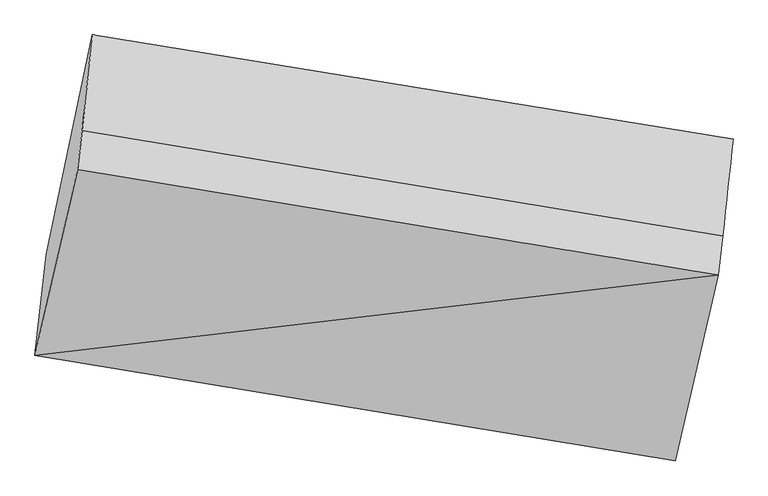
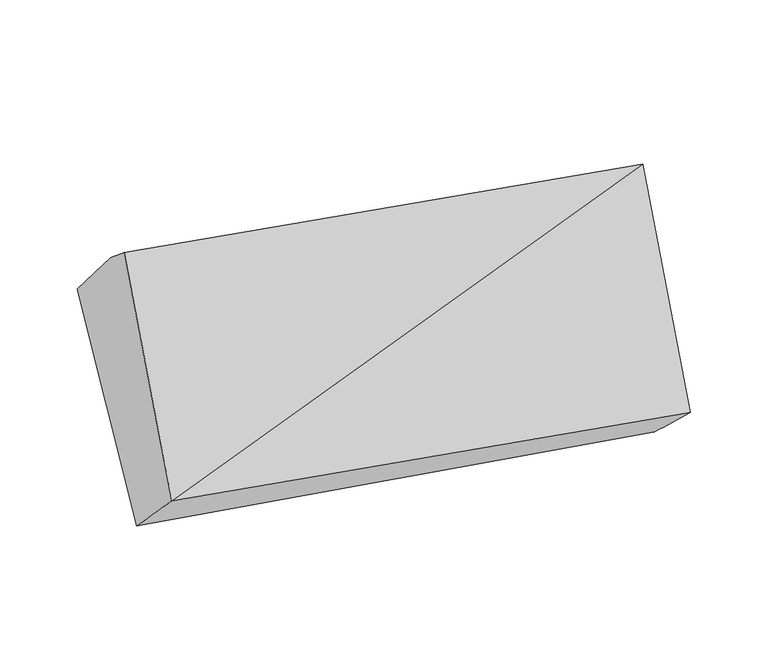
"""IFC4 building model written with IfcOpenShell, lengths in millimetres: proxy geometry."""

from ifc_helpers import new_model, si_unit, frame, origin, place, context, project, spatial, source, transform, mapped, element, save
from ifc_brep_helpers import plane_surface, spline_surface, advanced_brep


def generic_models_7fa6cf6b(model_context):
    return source(origin(), model_context, "Body", "AdvancedBrep", [
        advanced_brep(
        [(-3847.4249786, -1752.7332691, 1780.0290654), (-3815.261506, -1464.1478998, 1491.4213673), (-1990.5225691, -1749.4107299, 1407.304829), (-2025.6517247, -2052.1124925, 1683.6979221), (-3726.1921117, -1223.299823, 2427.3526461), (-1904.4188577, -1522.6790464, 2331.0215027), (-3712.8700897, -1112.1894193, 2333.9826026), (-1891.0968357, -1411.5686427, 2237.6514593), (-3684.059343, -839.6369819, 2031.7969507), (-1861.6564428, -1136.0191437, 1938.0590989)],
        [
            (0, 1),
            (1, 2),
            (2, 3),
            (3, 0),
            (4, 0),
            (0, 5),
            (5, 4),
            (6, 4),
            (5, 7),
            (7, 6),
            (8, 6),
            (7, 9),
            (9, 8),
            (1, 8),
            (9, 2),
            (5, 3),
        ],
        [
            spline_surface(1, 1, [[(-3847.4249786, -1752.7332691, 1780.0290654), (-2025.6517247, -2052.1124925, 1683.6979221)], [(-3815.261506, -1464.1478998, 1491.4213673), (-1990.5225691, -1749.4107299, 1407.304829)]], [2, 2], [2, 2], [0.0, 1.0], [0.0, 1.0]),
            plane_surface(frame((-3786.8085451, -1488.0165461, 2103.6908557), z_axis=(-0.09140775522410366, -0.7623732042026177, 0.6406494515713912), x_axis=(-0.14347084850007388, -0.6265484569332136, -0.7660634090891418))),
            plane_surface(frame((-3719.5311007, -1167.7446212, 2380.6676244), z_axis=(0.1434708485000744, 0.6265484569332208, 0.766063409089136), x_axis=(-0.09140775522410198, -0.7623732042026119, 0.6406494515713983))),
            spline_surface(1, 1, [[(-3684.059343, -839.6369819, 2031.7969507), (-1861.6564428, -1136.0191437, 1938.0590989)], [(-3712.8700897, -1112.1894193, 2333.9826026), (-1891.0968357, -1411.5686427, 2237.6514593)]], [2, 2], [2, 2], [0.0, 1.0], [0.0, 1.0]),
            plane_surface(frame((-3749.6604245, -1151.8924409, 1761.609159), z_axis=(0.06573333532180008, 0.6449825937151661, -0.7613649469419569), x_axis=(0.15690248790861003, 0.7468422358008517, 0.646226186495157))),
            plane_surface(frame((-1934.669286, -1574.3580111, 1919.5469624), z_axis=(0.9854241411268345, -0.1619386569922167, -0.05210694249327861), x_axis=(-0.09140775522410198, -0.7623732042026119, 0.6406494515713983))),
            plane_surface(frame((-3757.1616058, -1278.4014786, 2012.9165264), z_axis=(-0.9854241411268316, 0.16193865699224053, 0.05210694249325896), x_axis=(-0.07856198380835852, -0.7048940069600731, 0.7049485468116576))),
            plane_surface(frame((-3847.4249786, -1752.7332691, 1780.0290654), z_axis=(-0.09140775522410355, -0.7623732042026177, 0.6406494515713912), x_axis=(-0.14347084850007355, -0.6265484569332136, -0.7660634090891418))),
        ],
        [
            (0, [[1, 2, 3, 4]]),
            (1, [[5, 6, 7]]),
            (2, [[8, -7, 9, 10]]),
            (3, [[11, -10, 12, 13]]),
            (4, [[14, -13, 15, -2]]),
            (5, [[-9, 16, -3, -15, -12]]),
            (6, [[-1, -5, -8, -11, -14]]),
            (7, [[-16, -6, -4]]),
        ],
    ),
    ])


if __name__ == "__main__":
    model = new_model("IFC4")
    model_context = context("Model", 3, world=origin())
    ifc_project = project(units=[si_unit("LENGTHUNIT", "METRE", prefix="MILLI")], contexts=[model_context])
    site = spatial("IfcSite", under=ifc_project)
    building = spatial("IfcBuilding", under=site)
    placement = place(None, origin())
    generic_models_shape = generic_models_7fa6cf6b(model_context)
    element("IfcBuildingElementProxy", 1, Name="Generic Models", at=placement, inside=building, context=model_context, shape_type="MappedRepresentation", body=[
        mapped(generic_models_shape, transform((0.0, 0.0, 0.0), x_axis=(1.0, 0.0, 0.0), y_axis=(0.0, 1.0, 0.0), z_axis=(0.0, 0.0, 1.0))),
    ])
    save(model, "model.ifc")
